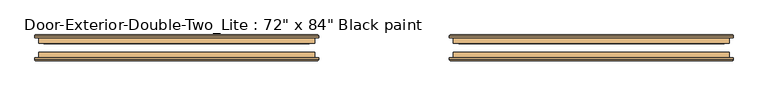
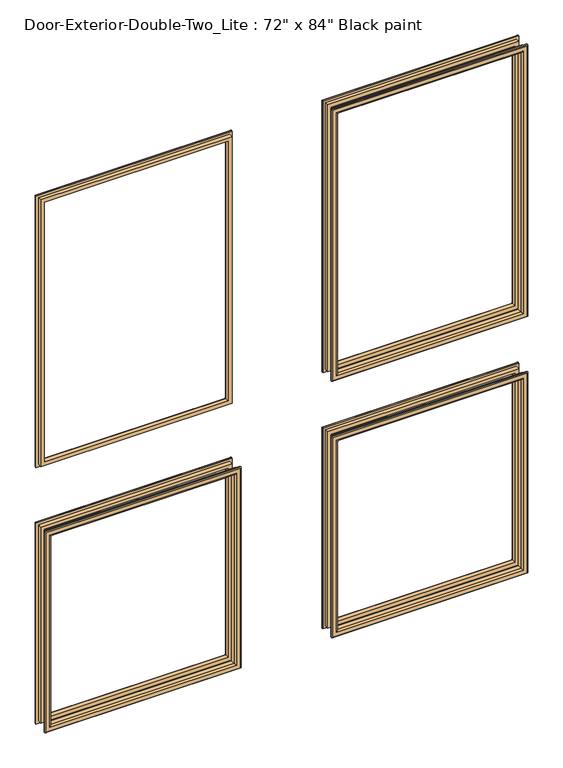
"""IFC4 building model written with IfcOpenShell, lengths in millimetres: door geometry."""

from ifc_helpers import new_model, si_unit, frame, origin, place, context, project, spatial, ellipse_curve, source, transform, mapped, element, save
from ifc_brep_helpers import plane_surface, cylinder_surface, advanced_brep


def door_a73ba88d(model_context):
    return source(origin(), model_context, "Body", "AdvancedBrep", [
        advanced_brep(
        [(-762.0, 120.65, 914.4), (-762.0, 133.35, 914.4), (-762.0, 133.35, 254.0), (-762.0, 120.65, 254.0), (-750.0, 134.35, 902.4), (-750.0, 120.65, 902.4), (-750.0, 120.65, 266.0), (-750.0, 134.35, 266.0), (-755.0, 139.35, 907.4), (-755.0, 139.35, 261.0), (-770.0, 137.35, 922.4), (-768.0, 139.35, 920.4), (-768.0, 139.35, 248.0), (-770.0, 137.35, 246.0), (-770.0, 133.35, 922.4), (-770.0, 133.35, 246.0), (-152.4, 133.35, 254.0), (-152.4, 120.65, 254.0), (-164.4, 120.65, 266.0), (-164.4, 134.35, 266.0), (-159.4, 139.35, 261.0), (-146.4, 139.35, 248.0), (-144.4, 137.35, 246.0), (-144.4, 133.35, 246.0), (-152.4, 133.35, 914.4), (-152.4, 120.65, 914.4), (-164.4, 120.65, 902.4), (-164.4, 134.35, 902.4), (-159.4, 139.35, 907.4), (-146.4, 139.35, 920.4), (-144.4, 137.35, 922.4), (-144.4, 133.35, 922.4)],
        [
            (0, 1),
            (1, 2),
            (2, 3),
            (3, 0),
            (4, 5),
            (5, 6),
            (6, 7),
            (7, 4),
            (8, 4, ellipse_curve(frame((-755.0, 134.35, 907.4), z_axis=(-0.7071067811865475, 0.0, -0.7071067811865475), x_axis=(-0.7071067811865474, 0.0, 0.7071067811865476)), 7.0710678, 5.0)),
            (7, 9, ellipse_curve(frame((-755.0, 134.35, 261.0), z_axis=(-0.7071067811865475, 0.0, 0.7071067811865475), x_axis=(0.7071067811865474, 0.0, 0.7071067811865476)), 7.0710678, 5.0)),
            (9, 8),
            (10, 11, ellipse_curve(frame((-768.0, 137.35, 920.4), z_axis=(-0.7071067811865475, 0.0, -0.7071067811865475), x_axis=(-0.7071067811865474, 0.0, 0.7071067811865476)), 2.8284271, 2.0)),
            (11, 12),
            (12, 13, ellipse_curve(frame((-768.0, 137.35, 248.0), z_axis=(-0.7071067811865475, 0.0, 0.7071067811865475), x_axis=(0.7071067811865474, 0.0, 0.7071067811865476)), 2.8284271, 2.0)),
            (13, 10),
            (14, 10),
            (13, 15),
            (15, 14),
            (2, 16),
            (16, 17),
            (17, 3),
            (6, 18),
            (18, 19),
            (19, 7),
            (19, 20, ellipse_curve(frame((-159.4, 134.35, 261.0), z_axis=(-0.7071067811865475, 0.0, -0.7071067811865475), x_axis=(-0.7071067811865476, 0.0, 0.7071067811865474)), 7.0710678, 5.0)),
            (20, 9),
            (12, 21),
            (21, 22, ellipse_curve(frame((-146.4, 137.35, 248.0), z_axis=(-0.7071067811865475, 0.0, -0.7071067811865475), x_axis=(-0.7071067811865476, 0.0, 0.7071067811865474)), 2.8284271, 2.0)),
            (22, 13),
            (22, 23),
            (23, 15),
            (16, 24),
            (24, 25),
            (25, 17),
            (18, 26),
            (26, 27),
            (27, 19),
            (27, 28, ellipse_curve(frame((-159.4, 134.35, 907.4), z_axis=(0.7071067811865475, 0.0, -0.7071067811865475), x_axis=(-0.7071067811865474, 0.0, -0.7071067811865476)), 7.0710678, 5.0)),
            (28, 20),
            (21, 29),
            (29, 30, ellipse_curve(frame((-146.4, 137.35, 920.4), z_axis=(0.7071067811865475, 0.0, -0.7071067811865475), x_axis=(-0.7071067811865474, 0.0, -0.7071067811865476)), 2.8284271, 2.0)),
            (30, 22),
            (30, 31),
            (31, 23),
            (31, 14),
            (1, 24),
            (0, 25),
            (5, 26),
            (4, 27),
            (8, 28),
            (11, 29),
            (10, 30),
        ],
        [
            plane_surface(frame((-762.0, 133.35, 914.4), z_axis=(-1.0, 0.0, 0.0), x_axis=(0.0, 0.0, -1.0))),
            plane_surface(frame((-750.0, 120.65, 902.4), z_axis=(1.0, 0.0, 0.0), x_axis=(0.0, 0.0, -1.0))),
            cylinder_surface(frame((-755.0, 134.35, 914.4), z_axis=(0.0, 0.0, 1.0), x_axis=(-1.0, 0.0, 0.0)), 5.0),
            cylinder_surface(frame((-768.0, 137.35, 914.4), z_axis=(0.0, 0.0, 1.0), x_axis=(-1.0, 0.0, 0.0)), 2.0),
            plane_surface(frame((-770.0, 137.35, 922.4), z_axis=(-1.0, 0.0, 0.0), x_axis=(0.0, 0.0, -1.0))),
            plane_surface(frame((-762.0, 133.35, 254.0), z_axis=(0.0, 0.0, -1.0), x_axis=(1.0, 0.0, 0.0))),
            plane_surface(frame((-750.0, 120.65, 266.0), z_axis=(0.0, 0.0, 1.0), x_axis=(1.0, 0.0, 0.0))),
            cylinder_surface(frame((-762.0, 134.35, 261.0), z_axis=(-1.0, 0.0, 0.0), x_axis=(0.0, 0.0, -1.0)), 5.0),
            cylinder_surface(frame((-762.0, 137.35, 248.0), z_axis=(-1.0, 0.0, 0.0), x_axis=(0.0, 0.0, -1.0)), 2.0),
            plane_surface(frame((-770.0, 137.35, 246.0), z_axis=(0.0, 0.0, -1.0), x_axis=(1.0, 0.0, 0.0))),
            plane_surface(frame((-152.4, 133.35, 254.0), z_axis=(1.0, 0.0, 0.0), x_axis=(0.0, 0.0, 1.0))),
            plane_surface(frame((-164.4, 120.65, 266.0), z_axis=(-1.0, 0.0, 0.0), x_axis=(0.0, 0.0, 1.0))),
            cylinder_surface(frame((-159.4, 134.35, 254.0), z_axis=(0.0, 0.0, -1.0), x_axis=(1.0, 0.0, 0.0)), 5.0),
            cylinder_surface(frame((-146.4, 137.35, 254.0), z_axis=(0.0, 0.0, -1.0), x_axis=(1.0, 0.0, 0.0)), 2.0),
            plane_surface(frame((-144.4, 137.35, 246.0), z_axis=(1.0, 0.0, 0.0), x_axis=(0.0, 0.0, 1.0))),
            plane_surface(frame((-144.4, 133.35, 922.4), z_axis=(0.0, -1.0, 0.0), x_axis=(-1.0, 0.0, 0.0))),
            plane_surface(frame((-152.4, 133.35, 914.4), z_axis=(0.0, 0.0, 1.0), x_axis=(-1.0, 0.0, 0.0))),
            plane_surface(frame((-152.4, 120.65, 914.4), z_axis=(0.0, -1.0, 0.0), x_axis=(-1.0, 0.0, 0.0))),
            plane_surface(frame((-164.4, 120.65, 902.4), z_axis=(0.0, 0.0, -1.0), x_axis=(-1.0, 0.0, 0.0))),
            cylinder_surface(frame((-152.4, 134.35, 907.4), z_axis=(1.0, 0.0, 0.0), x_axis=(0.0, 0.0, 1.0)), 5.0),
            plane_surface(frame((-159.4, 139.35, 907.4), z_axis=(0.0, 1.0, 0.0), x_axis=(-1.0, 0.0, 0.0))),
            cylinder_surface(frame((-152.4, 137.35, 920.4), z_axis=(1.0, 0.0, 0.0), x_axis=(0.0, 0.0, 1.0)), 2.0),
            plane_surface(frame((-144.4, 137.35, 922.4), z_axis=(0.0, 0.0, 1.0), x_axis=(-1.0, 0.0, 0.0))),
        ],
        [
            (0, [[1, 2, 3, 4]]),
            (1, [[5, 6, 7, 8]]),
            (2, [[9, -8, 10, 11]]),
            (3, [[12, 13, 14, 15]]),
            (4, [[16, -15, 17, 18]]),
            (5, [[-3, 19, 20, 21]]),
            (6, [[-7, 22, 23, 24]]),
            (7, [[-10, -24, 25, 26]]),
            (8, [[-14, 27, 28, 29]]),
            (9, [[-17, -29, 30, 31]]),
            (10, [[-20, 32, 33, 34]]),
            (11, [[-23, 35, 36, 37]]),
            (12, [[-25, -37, 38, 39]]),
            (13, [[-28, 40, 41, 42]]),
            (14, [[-30, -42, 43, 44]]),
            (15, [[-31, -44, 45, -18], [46, -32, -19, -2]]),
            (16, [[-33, -46, -1, 47]]),
            (17, [[-21, -34, -47, -4], [48, -35, -22, -6]]),
            (18, [[-36, -48, -5, 49]]),
            (19, [[-38, -49, -9, 50]]),
            (20, [[51, -40, -27, -13], [-26, -39, -50, -11]]),
            (21, [[-41, -51, -12, 52]]),
            (22, [[-43, -52, -16, -45]]),
        ],
    ),
        advanced_brep(
        [(152.4, 120.65, 914.4), (152.4, 133.35, 914.4), (152.4, 133.35, 254.0), (152.4, 120.65, 254.0), (164.4, 134.35, 902.4), (164.4, 120.65, 902.4), (164.4, 120.65, 266.0), (164.4, 134.35, 266.0), (159.4, 139.35, 907.4), (159.4, 139.35, 261.0), (144.4, 137.35, 922.4), (146.4, 139.35, 920.4), (146.4, 139.35, 248.0), (144.4, 137.35, 246.0), (144.4, 133.35, 922.4), (144.4, 133.35, 246.0), (762.0, 133.35, 254.0), (762.0, 120.65, 254.0), (750.0, 120.65, 266.0), (750.0, 134.35, 266.0), (755.0, 139.35, 261.0), (768.0, 139.35, 248.0), (770.0, 137.35, 246.0), (770.0, 133.35, 246.0), (762.0, 133.35, 914.4), (762.0, 120.65, 914.4), (750.0, 120.65, 902.4), (750.0, 134.35, 902.4), (755.0, 139.35, 907.4), (768.0, 139.35, 920.4), (770.0, 137.35, 922.4), (770.0, 133.35, 922.4)],
        [
            (0, 1),
            (1, 2),
            (2, 3),
            (3, 0),
            (4, 5),
            (5, 6),
            (6, 7),
            (7, 4),
            (8, 4, ellipse_curve(frame((159.4, 134.35, 907.4), z_axis=(-0.7071067811865475, 0.0, -0.7071067811865475), x_axis=(-0.7071067811865474, 0.0, 0.7071067811865476)), 7.0710678, 5.0)),
            (7, 9, ellipse_curve(frame((159.4, 134.35, 261.0), z_axis=(-0.7071067811865475, 0.0, 0.7071067811865475), x_axis=(0.7071067811865474, 0.0, 0.7071067811865476)), 7.0710678, 5.0)),
            (9, 8),
            (10, 11, ellipse_curve(frame((146.4, 137.35, 920.4), z_axis=(-0.7071067811865475, 0.0, -0.7071067811865475), x_axis=(-0.7071067811865474, 0.0, 0.7071067811865476)), 2.8284271, 2.0)),
            (11, 12),
            (12, 13, ellipse_curve(frame((146.4, 137.35, 248.0), z_axis=(-0.7071067811865475, 0.0, 0.7071067811865475), x_axis=(0.7071067811865474, 0.0, 0.7071067811865476)), 2.8284271, 2.0)),
            (13, 10),
            (14, 10),
            (13, 15),
            (15, 14),
            (2, 16),
            (16, 17),
            (17, 3),
            (6, 18),
            (18, 19),
            (19, 7),
            (19, 20, ellipse_curve(frame((755.0, 134.35, 261.0), z_axis=(-0.7071067811865475, 0.0, -0.7071067811865475), x_axis=(-0.7071067811865476, 0.0, 0.7071067811865474)), 7.0710678, 5.0)),
            (20, 9),
            (12, 21),
            (21, 22, ellipse_curve(frame((768.0, 137.35, 248.0), z_axis=(-0.7071067811865475, 0.0, -0.7071067811865475), x_axis=(-0.7071067811865476, 0.0, 0.7071067811865474)), 2.8284271, 2.0)),
            (22, 13),
            (22, 23),
            (23, 15),
            (16, 24),
            (24, 25),
            (25, 17),
            (18, 26),
            (26, 27),
            (27, 19),
            (27, 28, ellipse_curve(frame((755.0, 134.35, 907.4), z_axis=(0.7071067811865475, 0.0, -0.7071067811865475), x_axis=(-0.7071067811865474, 0.0, -0.7071067811865476)), 7.0710678, 5.0)),
            (28, 20),
            (21, 29),
            (29, 30, ellipse_curve(frame((768.0, 137.35, 920.4), z_axis=(0.7071067811865475, 0.0, -0.7071067811865475), x_axis=(-0.7071067811865474, 0.0, -0.7071067811865476)), 2.8284271, 2.0)),
            (30, 22),
            (30, 31),
            (31, 23),
            (31, 14),
            (1, 24),
            (0, 25),
            (5, 26),
            (4, 27),
            (8, 28),
            (11, 29),
            (10, 30),
        ],
        [
            plane_surface(frame((152.4, 133.35, 914.4), z_axis=(-1.0, 0.0, 0.0), x_axis=(0.0, 0.0, -1.0))),
            plane_surface(frame((164.4, 120.65, 902.4), z_axis=(1.0, 0.0, 0.0), x_axis=(0.0, 0.0, -1.0))),
            cylinder_surface(frame((159.4, 134.35, 914.4), z_axis=(0.0, 0.0, 1.0), x_axis=(-1.0, 0.0, 0.0)), 5.0),
            cylinder_surface(frame((146.4, 137.35, 914.4), z_axis=(0.0, 0.0, 1.0), x_axis=(-1.0, 0.0, 0.0)), 2.0),
            plane_surface(frame((144.4, 137.35, 922.4), z_axis=(-1.0, 0.0, 0.0), x_axis=(0.0, 0.0, -1.0))),
            plane_surface(frame((152.4, 133.35, 254.0), z_axis=(0.0, 0.0, -1.0), x_axis=(1.0, 0.0, 0.0))),
            plane_surface(frame((164.4, 120.65, 266.0), z_axis=(0.0, 0.0, 1.0), x_axis=(1.0, 0.0, 0.0))),
            cylinder_surface(frame((152.4, 134.35, 261.0), z_axis=(-1.0, 0.0, 0.0), x_axis=(0.0, 0.0, -1.0)), 5.0),
            cylinder_surface(frame((152.4, 137.35, 248.0), z_axis=(-1.0, 0.0, 0.0), x_axis=(0.0, 0.0, -1.0)), 2.0),
            plane_surface(frame((144.4, 137.35, 246.0), z_axis=(0.0, 0.0, -1.0), x_axis=(1.0, 0.0, 0.0))),
            plane_surface(frame((762.0, 133.35, 254.0), z_axis=(1.0, 0.0, 0.0), x_axis=(0.0, 0.0, 1.0))),
            plane_surface(frame((750.0, 120.65, 266.0), z_axis=(-1.0, 0.0, 0.0), x_axis=(0.0, 0.0, 1.0))),
            cylinder_surface(frame((755.0, 134.35, 254.0), z_axis=(0.0, 0.0, -1.0), x_axis=(1.0, 0.0, 0.0)), 5.0),
            cylinder_surface(frame((768.0, 137.35, 254.0), z_axis=(0.0, 0.0, -1.0), x_axis=(1.0, 0.0, 0.0)), 2.0),
            plane_surface(frame((770.0, 137.35, 246.0), z_axis=(1.0, 0.0, 0.0), x_axis=(0.0, 0.0, 1.0))),
            plane_surface(frame((770.0, 133.35, 922.4), z_axis=(0.0, -1.0, 0.0), x_axis=(-1.0, 0.0, 0.0))),
            plane_surface(frame((762.0, 133.35, 914.4), z_axis=(0.0, 0.0, 1.0), x_axis=(-1.0, 0.0, 0.0))),
            plane_surface(frame((762.0, 120.65, 914.4), z_axis=(0.0, -1.0, 0.0), x_axis=(-1.0, 0.0, 0.0))),
            plane_surface(frame((750.0, 120.65, 902.4), z_axis=(0.0, 0.0, -1.0), x_axis=(-1.0, 0.0, 0.0))),
            cylinder_surface(frame((762.0, 134.35, 907.4), z_axis=(1.0, 0.0, 0.0), x_axis=(0.0, 0.0, 1.0)), 5.0),
            plane_surface(frame((755.0, 139.35, 907.4), z_axis=(0.0, 1.0, 0.0), x_axis=(-1.0, 0.0, 0.0))),
            cylinder_surface(frame((762.0, 137.35, 920.4), z_axis=(1.0, 0.0, 0.0), x_axis=(0.0, 0.0, 1.0)), 2.0),
            plane_surface(frame((770.0, 137.35, 922.4), z_axis=(0.0, 0.0, 1.0), x_axis=(-1.0, 0.0, 0.0))),
        ],
        [
            (0, [[1, 2, 3, 4]]),
            (1, [[5, 6, 7, 8]]),
            (2, [[9, -8, 10, 11]]),
            (3, [[12, 13, 14, 15]]),
            (4, [[16, -15, 17, 18]]),
            (5, [[-3, 19, 20, 21]]),
            (6, [[-7, 22, 23, 24]]),
            (7, [[-10, -24, 25, 26]]),
            (8, [[-14, 27, 28, 29]]),
            (9, [[-17, -29, 30, 31]]),
            (10, [[-20, 32, 33, 34]]),
            (11, [[-23, 35, 36, 37]]),
            (12, [[-25, -37, 38, 39]]),
            (13, [[-28, 40, 41, 42]]),
            (14, [[-30, -42, 43, 44]]),
            (15, [[-31, -44, 45, -18], [46, -32, -19, -2]]),
            (16, [[-33, -46, -1, 47]]),
            (17, [[-21, -34, -47, -4], [48, -35, -22, -6]]),
            (18, [[-36, -48, -5, 49]]),
            (19, [[-38, -49, -9, 50]]),
            (20, [[51, -40, -27, -13], [-26, -39, -50, -11]]),
            (21, [[-41, -51, -12, 52]]),
            (22, [[-43, -52, -16, -45]]),
        ],
    ),
        advanced_brep(
        [(152.4, 120.65, 2016.125), (152.4, 133.35, 2016.125), (152.4, 133.35, 1117.6), (152.4, 120.65, 1117.6), (164.4, 134.35, 2004.125), (164.4, 120.65, 2004.125), (164.4, 120.65, 1129.6), (164.4, 134.35, 1129.6), (159.4, 139.35, 2009.125), (159.4, 139.35, 1124.6), (144.4, 137.35, 2024.125), (146.4, 139.35, 2022.125), (146.4, 139.35, 1111.6), (144.4, 137.35, 1109.6), (144.4, 133.35, 2024.125), (144.4, 133.35, 1109.6), (762.0, 133.35, 1117.6), (762.0, 120.65, 1117.6), (750.0, 120.65, 1129.6), (750.0, 134.35, 1129.6), (755.0, 139.35, 1124.6), (768.0, 139.35, 1111.6), (770.0, 137.35, 1109.6), (770.0, 133.35, 1109.6), (762.0, 133.35, 2016.125), (762.0, 120.65, 2016.125), (750.0, 120.65, 2004.125), (750.0, 134.35, 2004.125), (755.0, 139.35, 2009.125), (768.0, 139.35, 2022.125), (770.0, 137.35, 2024.125), (770.0, 133.35, 2024.125)],
        [
            (0, 1),
            (1, 2),
            (2, 3),
            (3, 0),
            (4, 5),
            (5, 6),
            (6, 7),
            (7, 4),
            (8, 4, ellipse_curve(frame((159.4, 134.35, 2009.125), z_axis=(-0.7071067811865475, 0.0, -0.7071067811865475), x_axis=(-0.7071067811865474, 0.0, 0.7071067811865476)), 7.0710678, 5.0)),
            (7, 9, ellipse_curve(frame((159.4, 134.35, 1124.6), z_axis=(-0.7071067811865475, 0.0, 0.7071067811865475), x_axis=(0.7071067811865474, 0.0, 0.7071067811865476)), 7.0710678, 5.0)),
            (9, 8),
            (10, 11, ellipse_curve(frame((146.4, 137.35, 2022.125), z_axis=(-0.7071067811865475, 0.0, -0.7071067811865475), x_axis=(-0.7071067811865474, 0.0, 0.7071067811865476)), 2.8284271, 2.0)),
            (11, 12),
            (12, 13, ellipse_curve(frame((146.4, 137.35, 1111.6), z_axis=(-0.7071067811865475, 0.0, 0.7071067811865475), x_axis=(0.7071067811865474, 0.0, 0.7071067811865476)), 2.8284271, 2.0)),
            (13, 10),
            (14, 10),
            (13, 15),
            (15, 14),
            (2, 16),
            (16, 17),
            (17, 3),
            (6, 18),
            (18, 19),
            (19, 7),
            (19, 20, ellipse_curve(frame((755.0, 134.35, 1124.6), z_axis=(-0.7071067811865475, 0.0, -0.7071067811865475), x_axis=(-0.7071067811865476, 0.0, 0.7071067811865474)), 7.0710678, 5.0)),
            (20, 9),
            (12, 21),
            (21, 22, ellipse_curve(frame((768.0, 137.35, 1111.6), z_axis=(-0.7071067811865475, 0.0, -0.7071067811865475), x_axis=(-0.7071067811865476, 0.0, 0.7071067811865474)), 2.8284271, 2.0)),
            (22, 13),
            (22, 23),
            (23, 15),
            (16, 24),
            (24, 25),
            (25, 17),
            (18, 26),
            (26, 27),
            (27, 19),
            (27, 28, ellipse_curve(frame((755.0, 134.35, 2009.125), z_axis=(0.7071067811865475, 0.0, -0.7071067811865475), x_axis=(-0.7071067811865474, 0.0, -0.7071067811865476)), 7.0710678, 5.0)),
            (28, 20),
            (21, 29),
            (29, 30, ellipse_curve(frame((768.0, 137.35, 2022.125), z_axis=(0.7071067811865475, 0.0, -0.7071067811865475), x_axis=(-0.7071067811865474, 0.0, -0.7071067811865476)), 2.8284271, 2.0)),
            (30, 22),
            (30, 31),
            (31, 23),
            (31, 14),
            (1, 24),
            (0, 25),
            (5, 26),
            (4, 27),
            (8, 28),
            (11, 29),
            (10, 30),
        ],
        [
            plane_surface(frame((152.4, 133.35, 2016.125), z_axis=(-1.0, 0.0, 0.0), x_axis=(0.0, 0.0, -1.0))),
            plane_surface(frame((164.4, 120.65, 2004.125), z_axis=(1.0, 0.0, 0.0), x_axis=(0.0, 0.0, -1.0))),
            cylinder_surface(frame((159.4, 134.35, 2016.125), z_axis=(0.0, 0.0, 1.0), x_axis=(-1.0, 0.0, 0.0)), 5.0),
            cylinder_surface(frame((146.4, 137.35, 2016.125), z_axis=(0.0, 0.0, 1.0), x_axis=(-1.0, 0.0, 0.0)), 2.0),
            plane_surface(frame((144.4, 137.35, 2024.125), z_axis=(-1.0, 0.0, 0.0), x_axis=(0.0, 0.0, -1.0))),
            plane_surface(frame((152.4, 133.35, 1117.6), z_axis=(0.0, 0.0, -1.0), x_axis=(1.0, 0.0, 0.0))),
            plane_surface(frame((164.4, 120.65, 1129.6), z_axis=(0.0, 0.0, 1.0), x_axis=(1.0, 0.0, 0.0))),
            cylinder_surface(frame((152.4, 134.35, 1124.6), z_axis=(-1.0, 0.0, 0.0), x_axis=(0.0, 0.0, -1.0)), 5.0),
            cylinder_surface(frame((152.4, 137.35, 1111.6), z_axis=(-1.0, 0.0, 0.0), x_axis=(0.0, 0.0, -1.0)), 2.0),
            plane_surface(frame((144.4, 137.35, 1109.6), z_axis=(0.0, 0.0, -1.0), x_axis=(1.0, 0.0, 0.0))),
            plane_surface(frame((762.0, 133.35, 1117.6), z_axis=(1.0, 0.0, 0.0), x_axis=(0.0, 0.0, 1.0))),
            plane_surface(frame((750.0, 120.65, 1129.6), z_axis=(-1.0, 0.0, 0.0), x_axis=(0.0, 0.0, 1.0))),
            cylinder_surface(frame((755.0, 134.35, 1117.6), z_axis=(0.0, 0.0, -1.0), x_axis=(1.0, 0.0, 0.0)), 5.0),
            cylinder_surface(frame((768.0, 137.35, 1117.6), z_axis=(0.0, 0.0, -1.0), x_axis=(1.0, 0.0, 0.0)), 2.0),
            plane_surface(frame((770.0, 137.35, 1109.6), z_axis=(1.0, 0.0, 0.0), x_axis=(0.0, 0.0, 1.0))),
            plane_surface(frame((770.0, 133.35, 2024.125), z_axis=(0.0, -1.0, 0.0), x_axis=(-1.0, 0.0, 0.0))),
            plane_surface(frame((762.0, 133.35, 2016.125), z_axis=(0.0, 0.0, 1.0), x_axis=(-1.0, 0.0, 0.0))),
            plane_surface(frame((762.0, 120.65, 2016.125), z_axis=(0.0, -1.0, 0.0), x_axis=(-1.0, 0.0, 0.0))),
            plane_surface(frame((750.0, 120.65, 2004.125), z_axis=(0.0, 0.0, -1.0), x_axis=(-1.0, 0.0, 0.0))),
            cylinder_surface(frame((762.0, 134.35, 2009.125), z_axis=(1.0, 0.0, 0.0), x_axis=(0.0, 0.0, 1.0)), 5.0),
            plane_surface(frame((755.0, 139.35, 2009.125), z_axis=(0.0, 1.0, 0.0), x_axis=(-1.0, 0.0, 0.0))),
            cylinder_surface(frame((762.0, 137.35, 2022.125), z_axis=(1.0, 0.0, 0.0), x_axis=(0.0, 0.0, 1.0)), 2.0),
            plane_surface(frame((770.0, 137.35, 2024.125), z_axis=(0.0, 0.0, 1.0), x_axis=(-1.0, 0.0, 0.0))),
        ],
        [
            (0, [[1, 2, 3, 4]]),
            (1, [[5, 6, 7, 8]]),
            (2, [[9, -8, 10, 11]]),
            (3, [[12, 13, 14, 15]]),
            (4, [[16, -15, 17, 18]]),
            (5, [[-3, 19, 20, 21]]),
            (6, [[-7, 22, 23, 24]]),
            (7, [[-10, -24, 25, 26]]),
            (8, [[-14, 27, 28, 29]]),
            (9, [[-17, -29, 30, 31]]),
            (10, [[-20, 32, 33, 34]]),
            (11, [[-23, 35, 36, 37]]),
            (12, [[-25, -37, 38, 39]]),
            (13, [[-28, 40, 41, 42]]),
            (14, [[-30, -42, 43, 44]]),
            (15, [[-31, -44, 45, -18], [46, -32, -19, -2]]),
            (16, [[-33, -46, -1, 47]]),
            (17, [[-21, -34, -47, -4], [48, -35, -22, -6]]),
            (18, [[-36, -48, -5, 49]]),
            (19, [[-38, -49, -9, 50]]),
            (20, [[51, -40, -27, -13], [-26, -39, -50, -11]]),
            (21, [[-41, -51, -12, 52]]),
            (22, [[-43, -52, -16, -45]]),
        ],
    ),
        advanced_brep(
        [(-762.0, 120.65, 2016.125), (-762.0, 133.35, 2016.125), (-762.0, 133.35, 1117.6), (-762.0, 120.65, 1117.6), (-750.0, 134.35, 2004.125), (-750.0, 120.65, 2004.125), (-750.0, 120.65, 1129.6), (-750.0, 134.35, 1129.6), (-755.0, 139.35, 2009.125), (-755.0, 139.35, 1124.6), (-770.0, 137.35, 2024.125), (-768.0, 139.35, 2022.125), (-768.0, 139.35, 1111.6), (-770.0, 137.35, 1109.6), (-770.0, 133.35, 2024.125), (-770.0, 133.35, 1109.6), (-152.4, 133.35, 1117.6), (-152.4, 120.65, 1117.6), (-164.4, 120.65, 1129.6), (-164.4, 134.35, 1129.6), (-159.4, 139.35, 1124.6), (-146.4, 139.35, 1111.6), (-144.4, 137.35, 1109.6), (-144.4, 133.35, 1109.6), (-152.4, 133.35, 2016.125), (-152.4, 120.65, 2016.125), (-164.4, 120.65, 2004.125), (-164.4, 134.35, 2004.125), (-159.4, 139.35, 2009.125), (-146.4, 139.35, 2022.125), (-144.4, 137.35, 2024.125), (-144.4, 133.35, 2024.125)],
        [
            (0, 1),
            (1, 2),
            (2, 3),
            (3, 0),
            (4, 5),
            (5, 6),
            (6, 7),
            (7, 4),
            (8, 4, ellipse_curve(frame((-755.0, 134.35, 2009.125), z_axis=(-0.7071067811865475, 0.0, -0.7071067811865475), x_axis=(-0.7071067811865474, 0.0, 0.7071067811865476)), 7.0710678, 5.0)),
            (7, 9, ellipse_curve(frame((-755.0, 134.35, 1124.6), z_axis=(-0.7071067811865475, 0.0, 0.7071067811865475), x_axis=(0.7071067811865474, 0.0, 0.7071067811865476)), 7.0710678, 5.0)),
            (9, 8),
            (10, 11, ellipse_curve(frame((-768.0, 137.35, 2022.125), z_axis=(-0.7071067811865475, 0.0, -0.7071067811865475), x_axis=(-0.7071067811865474, 0.0, 0.7071067811865476)), 2.8284271, 2.0)),
            (11, 12),
            (12, 13, ellipse_curve(frame((-768.0, 137.35, 1111.6), z_axis=(-0.7071067811865475, 0.0, 0.7071067811865475), x_axis=(0.7071067811865474, 0.0, 0.7071067811865476)), 2.8284271, 2.0)),
            (13, 10),
            (14, 10),
            (13, 15),
            (15, 14),
            (2, 16),
            (16, 17),
            (17, 3),
            (6, 18),
            (18, 19),
            (19, 7),
            (19, 20, ellipse_curve(frame((-159.4, 134.35, 1124.6), z_axis=(-0.7071067811865475, 0.0, -0.7071067811865475), x_axis=(-0.7071067811865476, 0.0, 0.7071067811865474)), 7.0710678, 5.0)),
            (20, 9),
            (12, 21),
            (21, 22, ellipse_curve(frame((-146.4, 137.35, 1111.6), z_axis=(-0.7071067811865475, 0.0, -0.7071067811865475), x_axis=(-0.7071067811865476, 0.0, 0.7071067811865474)), 2.8284271, 2.0)),
            (22, 13),
            (22, 23),
            (23, 15),
            (16, 24),
            (24, 25),
            (25, 17),
            (18, 26),
            (26, 27),
            (27, 19),
            (27, 28, ellipse_curve(frame((-159.4, 134.35, 2009.125), z_axis=(0.7071067811865475, 0.0, -0.7071067811865475), x_axis=(-0.7071067811865474, 0.0, -0.7071067811865476)), 7.0710678, 5.0)),
            (28, 20),
            (21, 29),
            (29, 30, ellipse_curve(frame((-146.4, 137.35, 2022.125), z_axis=(0.7071067811865475, 0.0, -0.7071067811865475), x_axis=(-0.7071067811865474, 0.0, -0.7071067811865476)), 2.8284271, 2.0)),
            (30, 22),
            (30, 31),
            (31, 23),
            (31, 14),
            (1, 24),
            (0, 25),
            (5, 26),
            (4, 27),
            (8, 28),
            (11, 29),
            (10, 30),
        ],
        [
            plane_surface(frame((-762.0, 133.35, 2016.125), z_axis=(-1.0, 0.0, 0.0), x_axis=(0.0, 0.0, -1.0))),
            plane_surface(frame((-750.0, 120.65, 2004.125), z_axis=(1.0, 0.0, 0.0), x_axis=(0.0, 0.0, -1.0))),
            cylinder_surface(frame((-755.0, 134.35, 2016.125), z_axis=(0.0, 0.0, 1.0), x_axis=(-1.0, 0.0, 0.0)), 5.0),
            cylinder_surface(frame((-768.0, 137.35, 2016.125), z_axis=(0.0, 0.0, 1.0), x_axis=(-1.0, 0.0, 0.0)), 2.0),
            plane_surface(frame((-770.0, 137.35, 2024.125), z_axis=(-1.0, 0.0, 0.0), x_axis=(0.0, 0.0, -1.0))),
            plane_surface(frame((-762.0, 133.35, 1117.6), z_axis=(0.0, 0.0, -1.0), x_axis=(1.0, 0.0, 0.0))),
            plane_surface(frame((-750.0, 120.65, 1129.6), z_axis=(0.0, 0.0, 1.0), x_axis=(1.0, 0.0, 0.0))),
            cylinder_surface(frame((-762.0, 134.35, 1124.6), z_axis=(-1.0, 0.0, 0.0), x_axis=(0.0, 0.0, -1.0)), 5.0),
            cylinder_surface(frame((-762.0, 137.35, 1111.6), z_axis=(-1.0, 0.0, 0.0), x_axis=(0.0, 0.0, -1.0)), 2.0),
            plane_surface(frame((-770.0, 137.35, 1109.6), z_axis=(0.0, 0.0, -1.0), x_axis=(1.0, 0.0, 0.0))),
            plane_surface(frame((-152.4, 133.35, 1117.6), z_axis=(1.0, 0.0, 0.0), x_axis=(0.0, 0.0, 1.0))),
            plane_surface(frame((-164.4, 120.65, 1129.6), z_axis=(-1.0, 0.0, 0.0), x_axis=(0.0, 0.0, 1.0))),
            cylinder_surface(frame((-159.4, 134.35, 1117.6), z_axis=(0.0, 0.0, -1.0), x_axis=(1.0, 0.0, 0.0)), 5.0),
            cylinder_surface(frame((-146.4, 137.35, 1117.6), z_axis=(0.0, 0.0, -1.0), x_axis=(1.0, 0.0, 0.0)), 2.0),
            plane_surface(frame((-144.4, 137.35, 1109.6), z_axis=(1.0, 0.0, 0.0), x_axis=(0.0, 0.0, 1.0))),
            plane_surface(frame((-144.4, 133.35, 2024.125), z_axis=(0.0, -1.0, 0.0), x_axis=(-1.0, 0.0, 0.0))),
            plane_surface(frame((-152.4, 133.35, 2016.125), z_axis=(0.0, 0.0, 1.0), x_axis=(-1.0, 0.0, 0.0))),
            plane_surface(frame((-152.4, 120.65, 2016.125), z_axis=(0.0, -1.0, 0.0), x_axis=(-1.0, 0.0, 0.0))),
            plane_surface(frame((-164.4, 120.65, 2004.125), z_axis=(0.0, 0.0, -1.0), x_axis=(-1.0, 0.0, 0.0))),
            cylinder_surface(frame((-152.4, 134.35, 2009.125), z_axis=(1.0, 0.0, 0.0), x_axis=(0.0, 0.0, 1.0)), 5.0),
            plane_surface(frame((-159.4, 139.35, 2009.125), z_axis=(0.0, 1.0, 0.0), x_axis=(-1.0, 0.0, 0.0))),
            cylinder_surface(frame((-152.4, 137.35, 2022.125), z_axis=(1.0, 0.0, 0.0), x_axis=(0.0, 0.0, 1.0)), 2.0),
            plane_surface(frame((-144.4, 137.35, 2024.125), z_axis=(0.0, 0.0, 1.0), x_axis=(-1.0, 0.0, 0.0))),
        ],
        [
            (0, [[1, 2, 3, 4]]),
            (1, [[5, 6, 7, 8]]),
            (2, [[9, -8, 10, 11]]),
            (3, [[12, 13, 14, 15]]),
            (4, [[16, -15, 17, 18]]),
            (5, [[-3, 19, 20, 21]]),
            (6, [[-7, 22, 23, 24]]),
            (7, [[-10, -24, 25, 26]]),
            (8, [[-14, 27, 28, 29]]),
            (9, [[-17, -29, 30, 31]]),
            (10, [[-20, 32, 33, 34]]),
            (11, [[-23, 35, 36, 37]]),
            (12, [[-25, -37, 38, 39]]),
            (13, [[-28, 40, 41, 42]]),
            (14, [[-30, -42, 43, 44]]),
            (15, [[-31, -44, 45, -18], [46, -32, -19, -2]]),
            (16, [[-33, -46, -1, 47]]),
            (17, [[-21, -34, -47, -4], [48, -35, -22, -6]]),
            (18, [[-36, -48, -5, 49]]),
            (19, [[-38, -49, -9, 50]]),
            (20, [[51, -40, -27, -13], [-26, -39, -50, -11]]),
            (21, [[-41, -51, -12, 52]]),
            (22, [[-43, -52, -16, -45]]),
        ],
    ),
        advanced_brep(
        [(-762.0, 101.6, 254.0), (-762.0, 88.9, 254.0), (-762.0, 88.9, 914.4), (-762.0, 101.6, 914.4), (-750.0, 87.9, 266.0), (-750.0, 101.6, 266.0), (-750.0, 101.6, 902.4), (-750.0, 87.9, 902.4), (-755.0, 82.9, 261.0), (-755.0, 82.9, 907.4), (-770.0, 84.9, 246.0), (-768.0, 82.9, 248.0), (-768.0, 82.9, 920.4), (-770.0, 84.9, 922.4), (-770.0, 88.9, 246.0), (-770.0, 88.9, 922.4), (-152.4, 88.9, 914.4), (-152.4, 101.6, 914.4), (-164.4, 101.6, 902.4), (-164.4, 87.9, 902.4), (-159.4, 82.9, 907.4), (-146.4, 82.9, 920.4), (-144.4, 84.9, 922.4), (-144.4, 88.9, 922.4), (-152.4, 88.9, 254.0), (-152.4, 101.6, 254.0), (-164.4, 101.6, 266.0), (-164.4, 87.9, 266.0), (-159.4, 82.9, 261.0), (-146.4, 82.9, 248.0), (-144.4, 84.9, 246.0), (-144.4, 88.9, 246.0)],
        [
            (0, 1),
            (1, 2),
            (2, 3),
            (3, 0),
            (4, 5),
            (5, 6),
            (6, 7),
            (7, 4),
            (8, 4, ellipse_curve(frame((-755.0, 87.9, 261.0), z_axis=(-0.7071067811865475, 0.0, 0.7071067811865475), x_axis=(-0.7071067811865474, 0.0, -0.7071067811865476)), 7.0710678, 5.0)),
            (7, 9, ellipse_curve(frame((-755.0, 87.9, 907.4), z_axis=(-0.7071067811865475, 0.0, -0.7071067811865475), x_axis=(0.7071067811865474, 0.0, -0.7071067811865476)), 7.0710678, 5.0)),
            (9, 8),
            (10, 11, ellipse_curve(frame((-768.0, 84.9, 248.0), z_axis=(-0.7071067811865475, 0.0, 0.7071067811865475), x_axis=(-0.7071067811865474, 0.0, -0.7071067811865476)), 2.8284271, 2.0)),
            (11, 12),
            (12, 13, ellipse_curve(frame((-768.0, 84.9, 920.4), z_axis=(-0.7071067811865475, 0.0, -0.7071067811865475), x_axis=(0.7071067811865474, 0.0, -0.7071067811865476)), 2.8284271, 2.0)),
            (13, 10),
            (14, 10),
            (13, 15),
            (15, 14),
            (2, 16),
            (16, 17),
            (17, 3),
            (6, 18),
            (18, 19),
            (19, 7),
            (19, 20, ellipse_curve(frame((-159.4, 87.9, 907.4), z_axis=(-0.7071067811865475, 0.0, 0.7071067811865475), x_axis=(-0.7071067811865476, 0.0, -0.7071067811865474)), 7.0710678, 5.0)),
            (20, 9),
            (12, 21),
            (21, 22, ellipse_curve(frame((-146.4, 84.9, 920.4), z_axis=(-0.7071067811865475, 0.0, 0.7071067811865475), x_axis=(-0.7071067811865476, 0.0, -0.7071067811865474)), 2.8284271, 2.0)),
            (22, 13),
            (22, 23),
            (23, 15),
            (16, 24),
            (24, 25),
            (25, 17),
            (18, 26),
            (26, 27),
            (27, 19),
            (27, 28, ellipse_curve(frame((-159.4, 87.9, 261.0), z_axis=(0.7071067811865475, 0.0, 0.7071067811865475), x_axis=(-0.7071067811865474, 0.0, 0.7071067811865476)), 7.0710678, 5.0)),
            (28, 20),
            (21, 29),
            (29, 30, ellipse_curve(frame((-146.4, 84.9, 248.0), z_axis=(0.7071067811865475, 0.0, 0.7071067811865475), x_axis=(-0.7071067811865474, 0.0, 0.7071067811865476)), 2.8284271, 2.0)),
            (30, 22),
            (30, 31),
            (31, 23),
            (31, 14),
            (1, 24),
            (0, 25),
            (5, 26),
            (4, 27),
            (8, 28),
            (11, 29),
            (10, 30),
        ],
        [
            plane_surface(frame((-762.0, 88.9, 254.0), z_axis=(-1.0, 0.0, 0.0), x_axis=(0.0, 0.0, 1.0))),
            plane_surface(frame((-750.0, 101.6, 266.0), z_axis=(1.0, 0.0, 0.0), x_axis=(0.0, 0.0, 1.0))),
            cylinder_surface(frame((-755.0, 87.9, 254.0), z_axis=(0.0, 0.0, -1.0), x_axis=(-1.0, 0.0, 0.0)), 5.0),
            cylinder_surface(frame((-768.0, 84.9, 254.0), z_axis=(0.0, 0.0, -1.0), x_axis=(-1.0, 0.0, 0.0)), 2.0),
            plane_surface(frame((-770.0, 84.9, 246.0), z_axis=(-1.0, 0.0, 0.0), x_axis=(0.0, 0.0, 1.0))),
            plane_surface(frame((-762.0, 88.9, 914.4), z_axis=(0.0, 0.0, 1.0), x_axis=(1.0, 0.0, 0.0))),
            plane_surface(frame((-750.0, 101.6, 902.4), z_axis=(0.0, 0.0, -1.0), x_axis=(1.0, 0.0, 0.0))),
            cylinder_surface(frame((-762.0, 87.9, 907.4), z_axis=(-1.0, 0.0, 0.0), x_axis=(0.0, 0.0, 1.0)), 5.0),
            cylinder_surface(frame((-762.0, 84.9, 920.4), z_axis=(-1.0, 0.0, 0.0), x_axis=(0.0, 0.0, 1.0)), 2.0),
            plane_surface(frame((-770.0, 84.9, 922.4), z_axis=(0.0, 0.0, 1.0), x_axis=(1.0, 0.0, 0.0))),
            plane_surface(frame((-152.4, 88.9, 914.4), z_axis=(1.0, 0.0, 0.0), x_axis=(0.0, 0.0, -1.0))),
            plane_surface(frame((-164.4, 101.6, 902.4), z_axis=(-1.0, 0.0, 0.0), x_axis=(0.0, 0.0, -1.0))),
            cylinder_surface(frame((-159.4, 87.9, 914.4), z_axis=(0.0, 0.0, 1.0), x_axis=(1.0, 0.0, 0.0)), 5.0),
            cylinder_surface(frame((-146.4, 84.9, 914.4), z_axis=(0.0, 0.0, 1.0), x_axis=(1.0, 0.0, 0.0)), 2.0),
            plane_surface(frame((-144.4, 84.9, 922.4), z_axis=(1.0, 0.0, 0.0), x_axis=(0.0, 0.0, -1.0))),
            plane_surface(frame((-144.4, 88.9, 246.0), z_axis=(0.0, 1.0, 0.0), x_axis=(-1.0, 0.0, 0.0))),
            plane_surface(frame((-152.4, 88.9, 254.0), z_axis=(0.0, 0.0, -1.0), x_axis=(-1.0, 0.0, 0.0))),
            plane_surface(frame((-152.4, 101.6, 254.0), z_axis=(0.0, 1.0, 0.0), x_axis=(-1.0, 0.0, 0.0))),
            plane_surface(frame((-164.4, 101.6, 266.0), z_axis=(0.0, 0.0, 1.0), x_axis=(-1.0, 0.0, 0.0))),
            cylinder_surface(frame((-152.4, 87.9, 261.0), z_axis=(1.0, 0.0, 0.0), x_axis=(0.0, 0.0, -1.0)), 5.0),
            plane_surface(frame((-159.4, 82.9, 261.0), z_axis=(0.0, -1.0, 0.0), x_axis=(-1.0, 0.0, 0.0))),
            cylinder_surface(frame((-152.4, 84.9, 248.0), z_axis=(1.0, 0.0, 0.0), x_axis=(0.0, 0.0, -1.0)), 2.0),
            plane_surface(frame((-144.4, 84.9, 246.0), z_axis=(0.0, 0.0, -1.0), x_axis=(-1.0, 0.0, 0.0))),
        ],
        [
            (0, [[1, 2, 3, 4]]),
            (1, [[5, 6, 7, 8]]),
            (2, [[9, -8, 10, 11]]),
            (3, [[12, 13, 14, 15]]),
            (4, [[16, -15, 17, 18]]),
            (5, [[-3, 19, 20, 21]]),
            (6, [[-7, 22, 23, 24]]),
            (7, [[-10, -24, 25, 26]]),
            (8, [[-14, 27, 28, 29]]),
            (9, [[-17, -29, 30, 31]]),
            (10, [[-20, 32, 33, 34]]),
            (11, [[-23, 35, 36, 37]]),
            (12, [[-25, -37, 38, 39]]),
            (13, [[-28, 40, 41, 42]]),
            (14, [[-30, -42, 43, 44]]),
            (15, [[-31, -44, 45, -18], [46, -32, -19, -2]]),
            (16, [[-33, -46, -1, 47]]),
            (17, [[-21, -34, -47, -4], [48, -35, -22, -6]]),
            (18, [[-36, -48, -5, 49]]),
            (19, [[-38, -49, -9, 50]]),
            (20, [[51, -40, -27, -13], [-26, -39, -50, -11]]),
            (21, [[-41, -51, -12, 52]]),
            (22, [[-43, -52, -16, -45]]),
        ],
    ),
        advanced_brep(
        [(152.4, 101.6, 254.0), (152.4, 88.9, 254.0), (152.4, 88.9, 914.4), (152.4, 101.6, 914.4), (164.4, 87.9, 266.0), (164.4, 101.6, 266.0), (164.4, 101.6, 902.4), (164.4, 87.9, 902.4), (159.4, 82.9, 261.0), (159.4, 82.9, 907.4), (144.4, 84.9, 246.0), (146.4, 82.9, 248.0), (146.4, 82.9, 920.4), (144.4, 84.9, 922.4), (144.4, 88.9, 246.0), (144.4, 88.9, 922.4), (762.0, 88.9, 914.4), (762.0, 101.6, 914.4), (750.0, 101.6, 902.4), (750.0, 87.9, 902.4), (755.0, 82.9, 907.4), (768.0, 82.9, 920.4), (770.0, 84.9, 922.4), (770.0, 88.9, 922.4), (762.0, 88.9, 254.0), (762.0, 101.6, 254.0), (750.0, 101.6, 266.0), (750.0, 87.9, 266.0), (755.0, 82.9, 261.0), (768.0, 82.9, 248.0), (770.0, 84.9, 246.0), (770.0, 88.9, 246.0)],
        [
            (0, 1),
            (1, 2),
            (2, 3),
            (3, 0),
            (4, 5),
            (5, 6),
            (6, 7),
            (7, 4),
            (8, 4, ellipse_curve(frame((159.4, 87.9, 261.0), z_axis=(-0.7071067811865475, 0.0, 0.7071067811865475), x_axis=(-0.7071067811865474, 0.0, -0.7071067811865476)), 7.0710678, 5.0)),
            (7, 9, ellipse_curve(frame((159.4, 87.9, 907.4), z_axis=(-0.7071067811865475, 0.0, -0.7071067811865475), x_axis=(0.7071067811865474, 0.0, -0.7071067811865476)), 7.0710678, 5.0)),
            (9, 8),
            (10, 11, ellipse_curve(frame((146.4, 84.9, 248.0), z_axis=(-0.7071067811865475, 0.0, 0.7071067811865475), x_axis=(-0.7071067811865474, 0.0, -0.7071067811865476)), 2.8284271, 2.0)),
            (11, 12),
            (12, 13, ellipse_curve(frame((146.4, 84.9, 920.4), z_axis=(-0.7071067811865475, 0.0, -0.7071067811865475), x_axis=(0.7071067811865474, 0.0, -0.7071067811865476)), 2.8284271, 2.0)),
            (13, 10),
            (14, 10),
            (13, 15),
            (15, 14),
            (2, 16),
            (16, 17),
            (17, 3),
            (6, 18),
            (18, 19),
            (19, 7),
            (19, 20, ellipse_curve(frame((755.0, 87.9, 907.4), z_axis=(-0.7071067811865475, 0.0, 0.7071067811865475), x_axis=(-0.7071067811865476, 0.0, -0.7071067811865474)), 7.0710678, 5.0)),
            (20, 9),
            (12, 21),
            (21, 22, ellipse_curve(frame((768.0, 84.9, 920.4), z_axis=(-0.7071067811865475, 0.0, 0.7071067811865475), x_axis=(-0.7071067811865476, 0.0, -0.7071067811865474)), 2.8284271, 2.0)),
            (22, 13),
            (22, 23),
            (23, 15),
            (16, 24),
            (24, 25),
            (25, 17),
            (18, 26),
            (26, 27),
            (27, 19),
            (27, 28, ellipse_curve(frame((755.0, 87.9, 261.0), z_axis=(0.7071067811865475, 0.0, 0.7071067811865475), x_axis=(-0.7071067811865474, 0.0, 0.7071067811865476)), 7.0710678, 5.0)),
            (28, 20),
            (21, 29),
            (29, 30, ellipse_curve(frame((768.0, 84.9, 248.0), z_axis=(0.7071067811865475, 0.0, 0.7071067811865475), x_axis=(-0.7071067811865474, 0.0, 0.7071067811865476)), 2.8284271, 2.0)),
            (30, 22),
            (30, 31),
            (31, 23),
            (31, 14),
            (1, 24),
            (0, 25),
            (5, 26),
            (4, 27),
            (8, 28),
            (11, 29),
            (10, 30),
        ],
        [
            plane_surface(frame((152.4, 88.9, 254.0), z_axis=(-1.0, 0.0, 0.0), x_axis=(0.0, 0.0, 1.0))),
            plane_surface(frame((164.4, 101.6, 266.0), z_axis=(1.0, 0.0, 0.0), x_axis=(0.0, 0.0, 1.0))),
            cylinder_surface(frame((159.4, 87.9, 254.0), z_axis=(0.0, 0.0, -1.0), x_axis=(-1.0, 0.0, 0.0)), 5.0),
            cylinder_surface(frame((146.4, 84.9, 254.0), z_axis=(0.0, 0.0, -1.0), x_axis=(-1.0, 0.0, 0.0)), 2.0),
            plane_surface(frame((144.4, 84.9, 246.0), z_axis=(-1.0, 0.0, 0.0), x_axis=(0.0, 0.0, 1.0))),
            plane_surface(frame((152.4, 88.9, 914.4), z_axis=(0.0, 0.0, 1.0), x_axis=(1.0, 0.0, 0.0))),
            plane_surface(frame((164.4, 101.6, 902.4), z_axis=(0.0, 0.0, -1.0), x_axis=(1.0, 0.0, 0.0))),
            cylinder_surface(frame((152.4, 87.9, 907.4), z_axis=(-1.0, 0.0, 0.0), x_axis=(0.0, 0.0, 1.0)), 5.0),
            cylinder_surface(frame((152.4, 84.9, 920.4), z_axis=(-1.0, 0.0, 0.0), x_axis=(0.0, 0.0, 1.0)), 2.0),
            plane_surface(frame((144.4, 84.9, 922.4), z_axis=(0.0, 0.0, 1.0), x_axis=(1.0, 0.0, 0.0))),
            plane_surface(frame((762.0, 88.9, 914.4), z_axis=(1.0, 0.0, 0.0), x_axis=(0.0, 0.0, -1.0))),
            plane_surface(frame((750.0, 101.6, 902.4), z_axis=(-1.0, 0.0, 0.0), x_axis=(0.0, 0.0, -1.0))),
            cylinder_surface(frame((755.0, 87.9, 914.4), z_axis=(0.0, 0.0, 1.0), x_axis=(1.0, 0.0, 0.0)), 5.0),
            cylinder_surface(frame((768.0, 84.9, 914.4), z_axis=(0.0, 0.0, 1.0), x_axis=(1.0, 0.0, 0.0)), 2.0),
            plane_surface(frame((770.0, 84.9, 922.4), z_axis=(1.0, 0.0, 0.0), x_axis=(0.0, 0.0, -1.0))),
            plane_surface(frame((770.0, 88.9, 246.0), z_axis=(0.0, 1.0, 0.0), x_axis=(-1.0, 0.0, 0.0))),
            plane_surface(frame((762.0, 88.9, 254.0), z_axis=(0.0, 0.0, -1.0), x_axis=(-1.0, 0.0, 0.0))),
            plane_surface(frame((762.0, 101.6, 254.0), z_axis=(0.0, 1.0, 0.0), x_axis=(-1.0, 0.0, 0.0))),
            plane_surface(frame((750.0, 101.6, 266.0), z_axis=(0.0, 0.0, 1.0), x_axis=(-1.0, 0.0, 0.0))),
            cylinder_surface(frame((762.0, 87.9, 261.0), z_axis=(1.0, 0.0, 0.0), x_axis=(0.0, 0.0, -1.0)), 5.0),
            plane_surface(frame((755.0, 82.9, 261.0), z_axis=(0.0, -1.0, 0.0), x_axis=(-1.0, 0.0, 0.0))),
            cylinder_surface(frame((762.0, 84.9, 248.0), z_axis=(1.0, 0.0, 0.0), x_axis=(0.0, 0.0, -1.0)), 2.0),
            plane_surface(frame((770.0, 84.9, 246.0), z_axis=(0.0, 0.0, -1.0), x_axis=(-1.0, 0.0, 0.0))),
        ],
        [
            (0, [[1, 2, 3, 4]]),
            (1, [[5, 6, 7, 8]]),
            (2, [[9, -8, 10, 11]]),
            (3, [[12, 13, 14, 15]]),
            (4, [[16, -15, 17, 18]]),
            (5, [[-3, 19, 20, 21]]),
            (6, [[-7, 22, 23, 24]]),
            (7, [[-10, -24, 25, 26]]),
            (8, [[-14, 27, 28, 29]]),
            (9, [[-17, -29, 30, 31]]),
            (10, [[-20, 32, 33, 34]]),
            (11, [[-23, 35, 36, 37]]),
            (12, [[-25, -37, 38, 39]]),
            (13, [[-28, 40, 41, 42]]),
            (14, [[-30, -42, 43, 44]]),
            (15, [[-31, -44, 45, -18], [46, -32, -19, -2]]),
            (16, [[-33, -46, -1, 47]]),
            (17, [[-21, -34, -47, -4], [48, -35, -22, -6]]),
            (18, [[-36, -48, -5, 49]]),
            (19, [[-38, -49, -9, 50]]),
            (20, [[51, -40, -27, -13], [-26, -39, -50, -11]]),
            (21, [[-41, -51, -12, 52]]),
            (22, [[-43, -52, -16, -45]]),
        ],
    ),
        advanced_brep(
        [(152.4, 101.6, 1117.6), (152.4, 88.9, 1117.6), (152.4, 88.9, 2016.125), (152.4, 101.6, 2016.125), (164.4, 87.9, 1129.6), (164.4, 101.6, 1129.6), (164.4, 101.6, 2004.125), (164.4, 87.9, 2004.125), (159.4, 82.9, 1124.6), (159.4, 82.9, 2009.125), (144.4, 84.9, 1109.6), (146.4, 82.9, 1111.6), (146.4, 82.9, 2022.125), (144.4, 84.9, 2024.125), (144.4, 88.9, 1109.6), (144.4, 88.9, 2024.125), (762.0, 88.9, 2016.125), (762.0, 101.6, 2016.125), (750.0, 101.6, 2004.125), (750.0, 87.9, 2004.125), (755.0, 82.9, 2009.125), (768.0, 82.9, 2022.125), (770.0, 84.9, 2024.125), (770.0, 88.9, 2024.125), (762.0, 88.9, 1117.6), (762.0, 101.6, 1117.6), (750.0, 101.6, 1129.6), (750.0, 87.9, 1129.6), (755.0, 82.9, 1124.6), (768.0, 82.9, 1111.6), (770.0, 84.9, 1109.6), (770.0, 88.9, 1109.6)],
        [
            (0, 1),
            (1, 2),
            (2, 3),
            (3, 0),
            (4, 5),
            (5, 6),
            (6, 7),
            (7, 4),
            (8, 4, ellipse_curve(frame((159.4, 87.9, 1124.6), z_axis=(-0.7071067811865475, 0.0, 0.7071067811865475), x_axis=(-0.7071067811865474, 0.0, -0.7071067811865476)), 7.0710678, 5.0)),
            (7, 9, ellipse_curve(frame((159.4, 87.9, 2009.125), z_axis=(-0.7071067811865475, 0.0, -0.7071067811865475), x_axis=(0.7071067811865474, 0.0, -0.7071067811865476)), 7.0710678, 5.0)),
            (9, 8),
            (10, 11, ellipse_curve(frame((146.4, 84.9, 1111.6), z_axis=(-0.7071067811865475, 0.0, 0.7071067811865475), x_axis=(-0.7071067811865474, 0.0, -0.7071067811865476)), 2.8284271, 2.0)),
            (11, 12),
            (12, 13, ellipse_curve(frame((146.4, 84.9, 2022.125), z_axis=(-0.7071067811865475, 0.0, -0.7071067811865475), x_axis=(0.7071067811865474, 0.0, -0.7071067811865476)), 2.8284271, 2.0)),
            (13, 10),
            (14, 10),
            (13, 15),
            (15, 14),
            (2, 16),
            (16, 17),
            (17, 3),
            (6, 18),
            (18, 19),
            (19, 7),
            (19, 20, ellipse_curve(frame((755.0, 87.9, 2009.125), z_axis=(-0.7071067811865475, 0.0, 0.7071067811865475), x_axis=(-0.7071067811865476, 0.0, -0.7071067811865474)), 7.0710678, 5.0)),
            (20, 9),
            (12, 21),
            (21, 22, ellipse_curve(frame((768.0, 84.9, 2022.125), z_axis=(-0.7071067811865475, 0.0, 0.7071067811865475), x_axis=(-0.7071067811865476, 0.0, -0.7071067811865474)), 2.8284271, 2.0)),
            (22, 13),
            (22, 23),
            (23, 15),
            (16, 24),
            (24, 25),
            (25, 17),
            (18, 26),
            (26, 27),
            (27, 19),
            (27, 28, ellipse_curve(frame((755.0, 87.9, 1124.6), z_axis=(0.7071067811865475, 0.0, 0.7071067811865475), x_axis=(-0.7071067811865474, 0.0, 0.7071067811865476)), 7.0710678, 5.0)),
            (28, 20),
            (21, 29),
            (29, 30, ellipse_curve(frame((768.0, 84.9, 1111.6), z_axis=(0.7071067811865475, 0.0, 0.7071067811865475), x_axis=(-0.7071067811865474, 0.0, 0.7071067811865476)), 2.8284271, 2.0)),
            (30, 22),
            (30, 31),
            (31, 23),
            (31, 14),
            (1, 24),
            (0, 25),
            (5, 26),
            (4, 27),
            (8, 28),
            (11, 29),
            (10, 30),
        ],
        [
            plane_surface(frame((152.4, 88.9, 1117.6), z_axis=(-1.0, 0.0, 0.0), x_axis=(0.0, 0.0, 1.0))),
            plane_surface(frame((164.4, 101.6, 1129.6), z_axis=(1.0, 0.0, 0.0), x_axis=(0.0, 0.0, 1.0))),
            cylinder_surface(frame((159.4, 87.9, 1117.6), z_axis=(0.0, 0.0, -1.0), x_axis=(-1.0, 0.0, 0.0)), 5.0),
            cylinder_surface(frame((146.4, 84.9, 1117.6), z_axis=(0.0, 0.0, -1.0), x_axis=(-1.0, 0.0, 0.0)), 2.0),
            plane_surface(frame((144.4, 84.9, 1109.6), z_axis=(-1.0, 0.0, 0.0), x_axis=(0.0, 0.0, 1.0))),
            plane_surface(frame((152.4, 88.9, 2016.125), z_axis=(0.0, 0.0, 1.0), x_axis=(1.0, 0.0, 0.0))),
            plane_surface(frame((164.4, 101.6, 2004.125), z_axis=(0.0, 0.0, -1.0), x_axis=(1.0, 0.0, 0.0))),
            cylinder_surface(frame((152.4, 87.9, 2009.125), z_axis=(-1.0, 0.0, 0.0), x_axis=(0.0, 0.0, 1.0)), 5.0),
            cylinder_surface(frame((152.4, 84.9, 2022.125), z_axis=(-1.0, 0.0, 0.0), x_axis=(0.0, 0.0, 1.0)), 2.0),
            plane_surface(frame((144.4, 84.9, 2024.125), z_axis=(0.0, 0.0, 1.0), x_axis=(1.0, 0.0, 0.0))),
            plane_surface(frame((762.0, 88.9, 2016.125), z_axis=(1.0, 0.0, 0.0), x_axis=(0.0, 0.0, -1.0))),
            plane_surface(frame((750.0, 101.6, 2004.125), z_axis=(-1.0, 0.0, 0.0), x_axis=(0.0, 0.0, -1.0))),
            cylinder_surface(frame((755.0, 87.9, 2016.125), z_axis=(0.0, 0.0, 1.0), x_axis=(1.0, 0.0, 0.0)), 5.0),
            cylinder_surface(frame((768.0, 84.9, 2016.125), z_axis=(0.0, 0.0, 1.0), x_axis=(1.0, 0.0, 0.0)), 2.0),
            plane_surface(frame((770.0, 84.9, 2024.125), z_axis=(1.0, 0.0, 0.0), x_axis=(0.0, 0.0, -1.0))),
            plane_surface(frame((770.0, 88.9, 1109.6), z_axis=(0.0, 1.0, 0.0), x_axis=(-1.0, 0.0, 0.0))),
            plane_surface(frame((762.0, 88.9, 1117.6), z_axis=(0.0, 0.0, -1.0), x_axis=(-1.0, 0.0, 0.0))),
            plane_surface(frame((762.0, 101.6, 1117.6), z_axis=(0.0, 1.0, 0.0), x_axis=(-1.0, 0.0, 0.0))),
            plane_surface(frame((750.0, 101.6, 1129.6), z_axis=(0.0, 0.0, 1.0), x_axis=(-1.0, 0.0, 0.0))),
            cylinder_surface(frame((762.0, 87.9, 1124.6), z_axis=(1.0, 0.0, 0.0), x_axis=(0.0, 0.0, -1.0)), 5.0),
            plane_surface(frame((755.0, 82.9, 1124.6), z_axis=(0.0, -1.0, 0.0), x_axis=(-1.0, 0.0, 0.0))),
            cylinder_surface(frame((762.0, 84.9, 1111.6), z_axis=(1.0, 0.0, 0.0), x_axis=(0.0, 0.0, -1.0)), 2.0),
            plane_surface(frame((770.0, 84.9, 1109.6), z_axis=(0.0, 0.0, -1.0), x_axis=(-1.0, 0.0, 0.0))),
        ],
        [
            (0, [[1, 2, 3, 4]]),
            (1, [[5, 6, 7, 8]]),
            (2, [[9, -8, 10, 11]]),
            (3, [[12, 13, 14, 15]]),
            (4, [[16, -15, 17, 18]]),
            (5, [[-3, 19, 20, 21]]),
            (6, [[-7, 22, 23, 24]]),
            (7, [[-10, -24, 25, 26]]),
            (8, [[-14, 27, 28, 29]]),
            (9, [[-17, -29, 30, 31]]),
            (10, [[-20, 32, 33, 34]]),
            (11, [[-23, 35, 36, 37]]),
            (12, [[-25, -37, 38, 39]]),
            (13, [[-28, 40, 41, 42]]),
            (14, [[-30, -42, 43, 44]]),
            (15, [[-31, -44, 45, -18], [46, -32, -19, -2]]),
            (16, [[-33, -46, -1, 47]]),
            (17, [[-21, -34, -47, -4], [48, -35, -22, -6]]),
            (18, [[-36, -48, -5, 49]]),
            (19, [[-38, -49, -9, 50]]),
            (20, [[51, -40, -27, -13], [-26, -39, -50, -11]]),
            (21, [[-41, -51, -12, 52]]),
            (22, [[-43, -52, -16, -45]]),
        ],
    ),
    ])


if __name__ == "__main__":
    model = new_model("IFC4")
    model_context = context("Model", 3, world=origin())
    ifc_project = project(units=[si_unit("LENGTHUNIT", "METRE", prefix="MILLI")], contexts=[model_context])
    site = spatial("IfcSite", under=ifc_project)
    building = spatial("IfcBuilding", under=site)
    placement = place(None, origin())
    door_shape = door_a73ba88d(model_context)
    element("IfcDoor", 1, ObjectType="Door-Exterior-Double-Two_Lite : 72\" x 84\" Black paint", at=placement, inside=building, context=model_context, shape_type="MappedRepresentation", body=[
        mapped(door_shape, transform((0.0, 0.0, 0.0), x_axis=(1.0, 0.0, 0.0), y_axis=(0.0, 1.0, 0.0), z_axis=(0.0, 0.0, 1.0))),
    ])
    save(model, "model.ifc")
